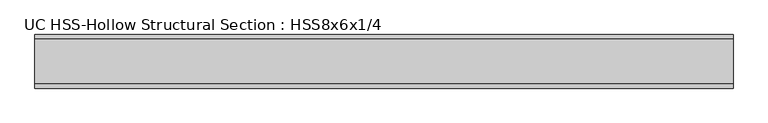
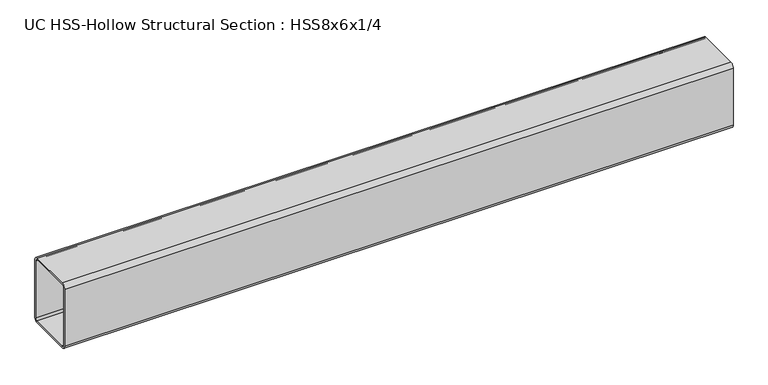
"""IFC4 building model written with IfcOpenShell, lengths in millimetres: beam geometry, UC HSS-Hollow Structural Section : HSS8x6x1/4."""

from ifc_helpers import new_model, si_unit, point, frame, frame_2d, origin, place, context, project, spatial, polyline, circle_curve, trimmed, segment, composite_curve, outline, extrude, source, transform, mapped, element, save


def uc_hss_hollow_structural_section_hss8x6x1_4_053d3985(model_context):
    return source(origin(), model_context, "Body", "SweptSolid", [
        extrude(outline(composite_curve([segment(trimmed(circle_curve(frame_2d((-64.3636, 89.7636)), 11.8364), [point((-76.2, 89.7636))], [point((-64.3636, 101.6))], False, "CARTESIAN"), True, "CONTINUOUS"), segment(polyline([(-64.3636, 101.6), (64.3636, 101.6)]), True, "CONTINUOUS"), segment(trimmed(circle_curve(frame_2d((64.3636, 89.7636)), 11.8364), [point((64.3636, 101.6))], [point((76.2, 89.7636))], False, "CARTESIAN"), True, "CONTINUOUS"), segment(polyline([(76.2, 89.7636), (76.2, -89.7636)]), True, "CONTINUOUS"), segment(trimmed(circle_curve(frame_2d((64.3636, -89.7636)), 11.8364), [point((76.2, -89.7636))], [point((64.3636, -101.6))], False, "CARTESIAN"), True, "CONTINUOUS"), segment(polyline([(64.3636, -101.6), (-64.3636, -101.6)]), True, "CONTINUOUS"), segment(trimmed(circle_curve(frame_2d((-64.3636, -89.7636)), 11.8364), [point((-64.3636, -101.6))], [point((-76.2, -89.7636))], False, "CARTESIAN"), True, "CONTINUOUS"), segment(polyline([(-76.2, -89.7636), (-76.2, 89.7636)]), True, "CONTINUOUS")], self_intersect=False), holes=[composite_curve([segment(polyline([(64.3636, 95.6818), (-64.3636, 95.6818)]), True, "CONTINUOUS"), segment(trimmed(circle_curve(frame_2d((-64.3636, 89.7636)), 5.9182), [point((-64.3636, 95.6818))], [point((-70.2818, 89.7636))], True, "CARTESIAN"), True, "CONTINUOUS"), segment(polyline([(-70.2818, 89.7636), (-70.2818, -89.7636)]), True, "CONTINUOUS"), segment(trimmed(circle_curve(frame_2d((-64.3636, -89.7636)), 5.9182), [point((-70.2818, -89.7636))], [point((-64.3636, -95.6818))], True, "CARTESIAN"), True, "CONTINUOUS"), segment(polyline([(-64.3636, -95.6818), (64.3636, -95.6818)]), True, "CONTINUOUS"), segment(trimmed(circle_curve(frame_2d((64.3636, -89.7636)), 5.9182), [point((64.3636, -95.6818))], [point((70.2818, -89.7636))], True, "CARTESIAN"), True, "CONTINUOUS"), segment(polyline([(70.2818, -89.7636), (70.2818, 89.7636)]), True, "CONTINUOUS"), segment(trimmed(circle_curve(frame_2d((64.3636, 89.7636)), 5.9182), [point((70.2818, 89.7636))], [point((64.3636, 95.6818))], True, "CARTESIAN"), True, "CONTINUOUS")], self_intersect=False)]), frame((-681.1668213, 0.0, 0.0), z_axis=(1.0, 0.0, 0.0), x_axis=(0.0, 1.0, 0.0)), (0.0, 0.0, 1.0), 1984.699347),
    ])


if __name__ == "__main__":
    model = new_model("IFC4")
    model_context = context("Model", 3, world=origin())
    ifc_project = project(units=[si_unit("LENGTHUNIT", "METRE", prefix="MILLI")], contexts=[model_context])
    site = spatial("IfcSite", under=ifc_project)
    building = spatial("IfcBuilding", under=site)
    placement = place(None, origin())
    uc_hss_hollow_structural_section_hss8x6x1_4_shape = uc_hss_hollow_structural_section_hss8x6x1_4_053d3985(model_context)
    element("IfcBeam", 1, ObjectType="UC HSS-Hollow Structural Section : HSS8x6x1/4", at=placement, inside=building, context=model_context, shape_type="MappedRepresentation", body=[
        mapped(uc_hss_hollow_structural_section_hss8x6x1_4_shape, transform((0.0, 0.0, 0.0), x_axis=(1.0, 0.0, 0.0), y_axis=(0.0, 1.0, 0.0), z_axis=(0.0, 0.0, 1.0))),
    ])
    save(model, "model.ifc")
